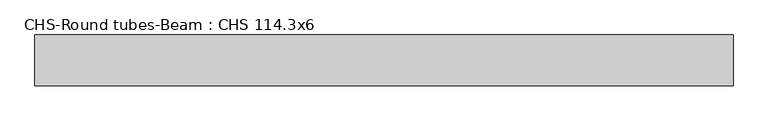
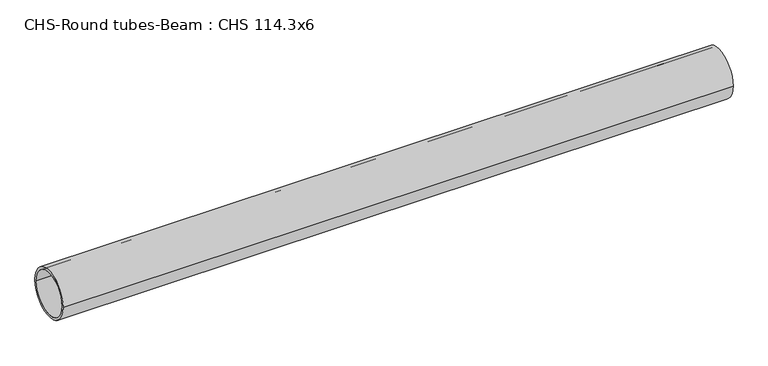
"""IFC4 building model written with IfcOpenShell, lengths in millimetres: beam geometry, CHS-Round tubes-Beam : CHS 114.3x6."""

from ifc_helpers import new_model, si_unit, point, frame, origin, origin_2d, place, context, project, spatial, circle_curve, trimmed, segment, composite_curve, outline, extrude, source, transform, mapped, element, save


def chs_round_tubes_beam_chs_114_3x6_d193ec7b(model_context):
    return source(origin(), model_context, "Body", "SweptSolid", [
        extrude(outline(composite_curve([segment(trimmed(circle_curve(origin_2d(), 57.15), [point((57.15, 0.0))], [point((-57.15, 0.0))], False, "CARTESIAN"), True, "CONTINUOUS"), segment(trimmed(circle_curve(origin_2d(), 57.15), [point((-57.15, 0.0))], [point((57.15, 0.0))], False, "CARTESIAN"), True, "CONTINUOUS")], self_intersect=False), holes=[composite_curve([segment(trimmed(circle_curve(origin_2d(), 51.15), [point((51.15, 0.0))], [point((-51.15, 0.0))], True, "CARTESIAN"), True, "CONTINUOUS"), segment(trimmed(circle_curve(origin_2d(), 51.15), [point((-51.15, 0.0))], [point((51.15, 0.0))], True, "CARTESIAN"), True, "CONTINUOUS")], self_intersect=False)]), frame((-776.5719397, 0.0, 0.0), z_axis=(1.0, 0.0, 0.0), x_axis=(0.0, 1.0, 0.0)), (0.0, 0.0, 1.0), 1564.3868113),
    ])


if __name__ == "__main__":
    model = new_model("IFC4")
    model_context = context("Model", 3, world=origin())
    ifc_project = project(units=[si_unit("LENGTHUNIT", "METRE", prefix="MILLI")], contexts=[model_context])
    site = spatial("IfcSite", under=ifc_project)
    building = spatial("IfcBuilding", under=site)
    placement = place(None, origin())
    chs_round_tubes_beam_chs_114_3x6_shape = chs_round_tubes_beam_chs_114_3x6_d193ec7b(model_context)
    element("IfcBeam", 1, ObjectType="CHS-Round tubes-Beam : CHS 114.3x6", at=placement, inside=building, context=model_context, shape_type="MappedRepresentation", body=[
        mapped(chs_round_tubes_beam_chs_114_3x6_shape, transform((0.0, 0.0, 0.0), x_axis=(1.0, 0.0, 0.0), y_axis=(0.0, 1.0, 0.0), z_axis=(0.0, 0.0, 1.0))),
    ])
    save(model, "model.ifc")
